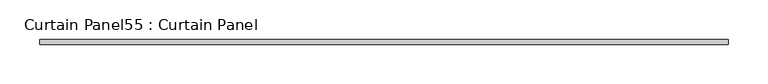
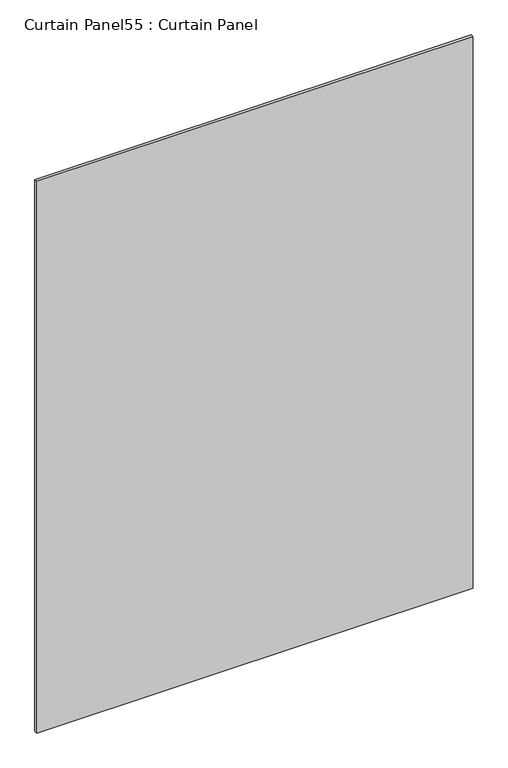
"""IFC4 building model written with IfcOpenShell, lengths in millimetres: plate geometry, Curtain Panel55 : Curtain Panel."""

from ifc_helpers import new_model, si_unit, frame, origin, place, context, project, spatial, polyline, outline, extrude, source, transform, mapped, element, save


def curtain_panel55_curtain_panel_29b3262d(model_context):
    return source(origin(), model_context, "Body", "SweptSolid", [
        extrude(outline(polyline([(-38326.4084928, 3064.6151643), (-39196.2893244, 3064.6151643), (-39196.2893244, 3070.9651643), (-38326.4084928, 3070.9651643), (-38326.4084928, 3064.6151643)])), frame((0.0, 0.0, 2454.1676882), z_axis=(0.0, 0.0, 1.0), x_axis=(1.0, 0.0, 0.0)), (0.0, 0.0, 1.0), 1162.1573118),
    ])


if __name__ == "__main__":
    model = new_model("IFC4")
    model_context = context("Model", 3, world=origin())
    ifc_project = project(units=[si_unit("LENGTHUNIT", "METRE", prefix="MILLI")], contexts=[model_context])
    site = spatial("IfcSite", under=ifc_project)
    building = spatial("IfcBuilding", under=site)
    placement = place(None, origin())
    curtain_panel55_curtain_panel_shape = curtain_panel55_curtain_panel_29b3262d(model_context)
    element("IfcPlate", 1, ObjectType="Curtain Panel55 : Curtain Panel", at=placement, inside=building, context=model_context, shape_type="MappedRepresentation", body=[
        mapped(curtain_panel55_curtain_panel_shape, transform((0.0, 0.0, 0.0), x_axis=(1.0, 0.0, 0.0), y_axis=(0.0, 1.0, 0.0), z_axis=(0.0, 0.0, 1.0))),
    ])
    save(model, "model.ifc")
